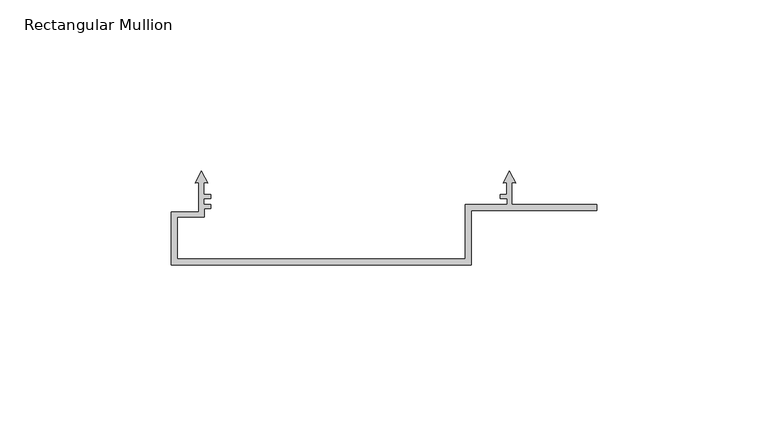
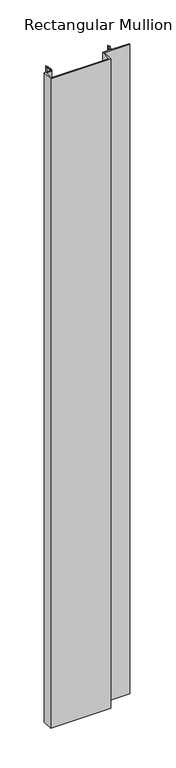
"""IFC4 building model written with IfcOpenShell, lengths in millimetres: member geometry, Rectangular Mullion."""

from ifc_helpers import new_model, si_unit, frame, origin, place, context, project, spatial, polyline, outline, extrude, source, transform, mapped, element, save


def rectangular_mullion_f53c8bbb(model_context):
    return source(origin(), model_context, "Body", "SweptSolid", [
        extrude(outline(polyline([(87.7, -52.1000001), (0.0, -52.1000001), (0.0, -36.5995654), (8.1493217, -36.5995654), (8.1493217, -28.0038205), (7.0335853, -28.1014348), (8.8493218, -24.5378474), (10.6650584, -28.1014348), (9.549322, -28.0038206), (9.549322, -31.3983556), (11.5368851, -31.3983556), (11.5368851, -32.6004432), (9.5585026, -32.6004432), (9.5585026, -34.4), (11.5373999, -34.4), (11.5373999, -35.601526), (9.65879, -35.601526), (9.65879, -38.0997951), (1.8, -38.0997951), (1.8, -50.3), (85.9, -50.3), (85.9, -34.4), (98.2499988, -34.4), (98.2499988, -32.6008285), (96.1577357, -32.6008285), (96.1577357, -31.4), (98.1499998, -31.4), (98.1499998, -28.0038204), (97.034262, -28.1014348), (98.8499986, -24.5378474), (100.6657353, -28.1014348), (99.55, -28.0038207), (99.55, -34.4056682), (124.4501818, -34.4056682), (124.4501818, -36.2004291), (87.7, -36.2004291), (87.7, -52.1000001)])), frame((0.0, 0.0, -1000.0), z_axis=(0.0, 0.0, 1.0), x_axis=(1.0, 0.0, 0.0)), (0.0, 0.0, 1.0), 1000.0),
    ])


if __name__ == "__main__":
    model = new_model("IFC4")
    model_context = context("Model", 3, world=origin())
    ifc_project = project(units=[si_unit("LENGTHUNIT", "METRE", prefix="MILLI")], contexts=[model_context])
    site = spatial("IfcSite", under=ifc_project)
    building = spatial("IfcBuilding", under=site)
    placement = place(None, origin())
    rectangular_mullion_shape = rectangular_mullion_f53c8bbb(model_context)
    element("IfcMember", 1, ObjectType="Rectangular Mullion", at=placement, inside=building, context=model_context, shape_type="MappedRepresentation", body=[
        mapped(rectangular_mullion_shape, transform((0.0, 0.0, 0.0), x_axis=(1.0, 0.0, 0.0), y_axis=(0.0, 1.0, 0.0), z_axis=(0.0, 0.0, 1.0))),
    ])
    save(model, "model.ifc")
